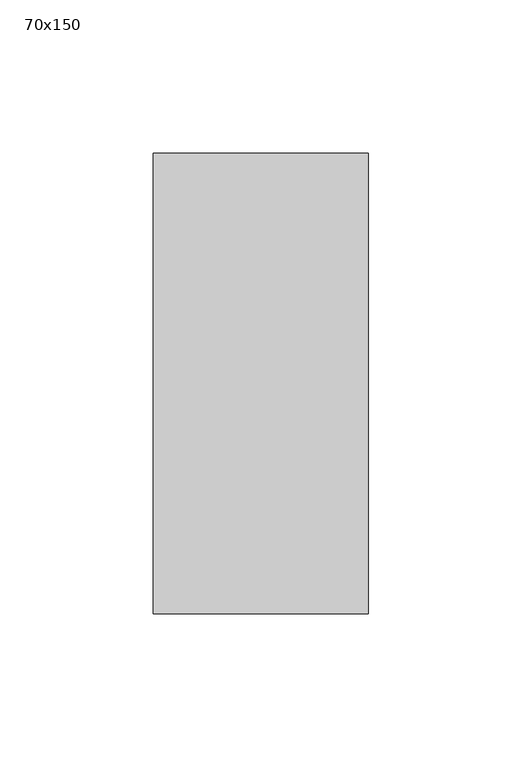
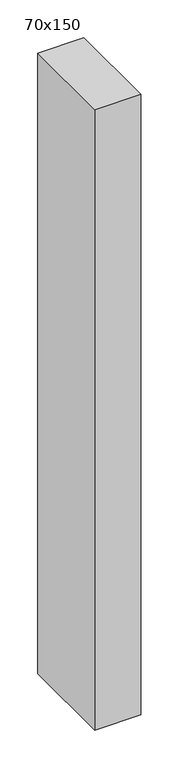
"""IFC4 building model written with IfcOpenShell, lengths in millimetres: member geometry, 70x150."""

import ifcopenshell
import ifcopenshell.guid

model = None  # the IFC model being written
_history = None  # IfcOwnerHistory: only IFC2X3 demands one
_inside = {}  # id of a spatial element -> (the spatial element, [elements in it])
_under = {}  # id of a project, library or spatial element -> (it, [spatial elements below it])
_declared = {}  # id of a project -> (the project, [libraries it declares])
_typed = {}  # id of a type object -> (the type object, [elements of that type])
_made_of = {}  # id of a material, layer set ... -> (it, [elements and type objects made of it])


def new_model(schema):
    """Start an empty IFC model of exactly this schema.

    Asked for "IFC4X3", IfcOpenShell would pick the latest addendum, in which some entities
    have other attributes; the version numbers below select the first issue.
    IFC2X3 requires an IfcOwnerHistory on every rooted entity: one is made here for all.
    """
    global model, _history
    if schema == "IFC4X3":
        model = ifcopenshell.file(schema_version=(4, 3, 0, 0))
    else:
        model = ifcopenshell.file(schema=schema)
    _inside.clear()
    _under.clear()
    _declared.clear()
    _typed.clear()
    _made_of.clear()
    _history = None
    if model.schema == "IFC2X3":
        org = make("IfcOrganization", Name="unknown")
        user = make(
            "IfcPersonAndOrganization",
            ThePerson=make("IfcPerson", FamilyName="unknown"),
            TheOrganization=org,
        )
        app = make(
            "IfcApplication",
            ApplicationDeveloper=org,
            Version="unknown",
            ApplicationFullName="unknown",
            ApplicationIdentifier="unknown",
        )
        _history = make(
            "IfcOwnerHistory",
            OwningUser=user,
            OwningApplication=app,
            ChangeAction="ADDED",
            CreationDate=0,
        )
    return model


def make(cls, **values):
    """One entity of the class cls with the attributes given. An attribute that is None is left unset."""
    return model.create_entity(
        cls, **{name: value for name, value in values.items() if value is not None}
    )


def rooted(cls, **values):
    """An entity with a GlobalId (a new one), such as an element, a storey or a relation."""
    return make(cls, GlobalId=ifcopenshell.guid.new(), OwnerHistory=_history, **values)


def si_unit(unit_type, name, prefix=None):
    """IfcSIUnit, for example si_unit("LENGTHUNIT", "METRE", prefix="MILLI")."""
    return make("IfcSIUnit", UnitType=unit_type, Prefix=prefix, Name=name)


def assignment(units):
    """IfcUnitAssignment: the units of a project."""
    return None if units is None else make("IfcUnitAssignment", Units=units)


def point(xyz):
    """IfcCartesianPoint."""
    return None if xyz is None else make("IfcCartesianPoint", Coordinates=xyz)


def direction(xyz):
    """IfcDirection."""
    return None if xyz is None else make("IfcDirection", DirectionRatios=xyz)


def frame(location, z_axis=None, x_axis=None):
    """IfcAxis2Placement3D, a coordinate frame: its origin and axes. An axis left out is left unset."""
    return make(
        "IfcAxis2Placement3D",
        Location=point(location),
        Axis=direction(z_axis),
        RefDirection=direction(x_axis),
    )


def origin():
    """The frame at (0, 0, 0) with its axes left unset."""
    return frame((0.0, 0.0, 0.0))


def place(relative_to, where):
    """IfcLocalPlacement: puts the frame where relative to a parent placement (None: the world)."""
    return make(
        "IfcLocalPlacement", PlacementRelTo=relative_to, RelativePlacement=where
    )


def context(
    kind, dimensions, precision=None, world=None, true_north=None, identifier=None
):
    """IfcGeometricRepresentationContext, for example the 3D "Model" context."""
    return make(
        "IfcGeometricRepresentationContext",
        ContextIdentifier=identifier,
        ContextType=kind,
        CoordinateSpaceDimension=dimensions,
        Precision=precision,
        WorldCoordinateSystem=world,
        TrueNorth=true_north,
    )


def project(units=None, contexts=None):
    """IfcProject with its units and contexts."""
    return rooted(
        "IfcProject",
        Name="project",
        RepresentationContexts=contexts,
        UnitsInContext=assignment(units),
    )


def spatial(cls, under=None, at=None, **own):
    """A site, building, storey or space (cls), placed at a placement, below another one or the project."""
    s = rooted(cls, ObjectPlacement=at, **own)
    if under is not None:
        _under.setdefault(under.id(), (under, []))[1].append(s)
    return s


def polyline(points):
    """IfcPolyline through the points."""
    return make("IfcPolyline", Points=[point(p) for p in points])


def outline(outer, holes=None, kind="AREA"):
    """IfcArbitraryClosedProfileDef: a profile drawn as a closed curve; with holes, ...WithVoids."""
    if holes is None:
        return make("IfcArbitraryClosedProfileDef", ProfileType=kind, OuterCurve=outer)
    return make(
        "IfcArbitraryProfileDefWithVoids",
        ProfileType=kind,
        OuterCurve=outer,
        InnerCurves=holes,
    )


def extrude(swept, where, along, depth):
    """IfcExtrudedAreaSolid: the profile swept, set in the frame where, extruded along a direction by depth."""
    return make(
        "IfcExtrudedAreaSolid",
        SweptArea=swept,
        Position=where,
        ExtrudedDirection=direction(along),
        Depth=depth,
    )


def shape(context_of_items, identifier, shape_type, items):
    """IfcShapeRepresentation: the items that make up one representation, for example the "Body"."""
    return make(
        "IfcShapeRepresentation",
        ContextOfItems=context_of_items,
        RepresentationIdentifier=identifier,
        RepresentationType=shape_type,
        Items=items,
    )


def source(mapping_origin, context_of_items, identifier, shape_type, items):
    """IfcRepresentationMap: a shape defined once, which mapped items show again and again."""
    return make(
        "IfcRepresentationMap",
        MappingOrigin=mapping_origin,
        MappedRepresentation=shape(context_of_items, identifier, shape_type, items),
    )


def transform(
    local_origin,
    x_axis=None,
    y_axis=None,
    z_axis=None,
    scale=None,
    scale2=None,
    scale3=None,
    uniform=True,
):
    """IfcCartesianTransformationOperator3D, or its non-uniform kind. x_axis, y_axis, z_axis: its Axis1, 2, 3."""
    if uniform:
        return make(
            "IfcCartesianTransformationOperator3D",
            Axis1=direction(x_axis),
            Axis2=direction(y_axis),
            LocalOrigin=point(local_origin),
            Scale=scale,
            Axis3=direction(z_axis),
        )
    return make(
        "IfcCartesianTransformationOperator3DnonUniform",
        Axis1=direction(x_axis),
        Axis2=direction(y_axis),
        LocalOrigin=point(local_origin),
        Scale=scale,
        Axis3=direction(z_axis),
        Scale2=scale2,
        Scale3=scale3,
    )


def mapped(mapping_source, mapping_target):
    """IfcMappedItem: shows the shape of a source again, moved by a transform."""
    return make(
        "IfcMappedItem", MappingSource=mapping_source, MappingTarget=mapping_target
    )


def made_of(thing, what):
    """Note that an element or type object is made of a material, layer set ...; save() writes the relation."""
    if what is not None:
        _made_of.setdefault(what.id(), (what, []))[1].append(thing)
    return thing


def element(
    cls,
    number,
    at=None,
    inside=None,
    cuts=None,
    type_object=None,
    material=None,
    context=None,
    identifier="Body",
    shape_type=None,
    held_by="IfcProductDefinitionShape",
    body=None,
    shapes=None,
    **own,
):
    """One element of the class cls, such as IfcWall. Its Tag is "e" and its number.

    at: its placement. inside: the storey or other place that contains it. cuts: it is an
    opening in that element (IfcRelVoidsElement). A single representation is given by context,
    identifier, shape_type and body (its items); several are given by shapes. held_by: the class
    of the entity that holds the representations. save() writes the other relations.
    """
    e = rooted(cls, Tag="e%d" % number, ObjectPlacement=at, **own)
    if body is not None:
        shapes = [shape(context, identifier, shape_type, body)]
    if shapes is not None:
        e.Representation = make(held_by, Representations=shapes)
    if inside is not None:
        _inside.setdefault(inside.id(), (inside, []))[1].append(e)
    if cuts is not None:
        rooted(
            "IfcRelVoidsElement", RelatingBuildingElement=cuts, RelatedOpeningElement=e
        )
    if type_object is not None:
        _typed.setdefault(type_object.id(), (type_object, []))[1].append(e)
    return made_of(e, material)


def aggregate(whole, parts):
    """IfcRelAggregates: a whole, such as a stair, and the parts it consists of."""
    return rooted("IfcRelAggregates", RelatingObject=whole, RelatedObjects=parts)


def save(model, path):
    """Write the relations noted so far, then the file.

    IfcRelAggregates (storeys below a building ...), IfcRelContainedInSpatialStructure (elements
    in a storey), IfcRelDefinesByType, IfcRelAssociatesMaterial and IfcRelDeclares: one each for
    every whole, place, type object, material and project.
    """
    for whole, parts in _under.values():
        aggregate(whole, parts)
    for where, things in _inside.values():
        rooted(
            "IfcRelContainedInSpatialStructure",
            RelatedElements=things,
            RelatingStructure=where,
        )
    for kind, things in _typed.values():
        rooted("IfcRelDefinesByType", RelatedObjects=things, RelatingType=kind)
    for what, things in _made_of.values():
        rooted("IfcRelAssociatesMaterial", RelatedObjects=things, RelatingMaterial=what)
    for by, libraries in _declared.values():
        rooted("IfcRelDeclares", RelatingContext=by, RelatedDefinitions=libraries)
    model.write(path)


def member_70x150_76429c73(model_context):
    return source(origin(), model_context, "Body", "SweptSolid", [
        extrude(outline(polyline([(0.0, 75.0), (0.0, -75.0), (-70.0, -75.0), (-70.0, 75.0), (0.0, 75.0)])), frame((0.0, 0.0, -1000.0), z_axis=(0.0, 0.0, 1.0), x_axis=(1.0, 0.0, 0.0)), (0.0, 0.0, 1.0), 1000.0),
    ])


if __name__ == "__main__":
    model = new_model("IFC4")
    model_context = context("Model", 3, world=origin())
    ifc_project = project(units=[si_unit("LENGTHUNIT", "METRE", prefix="MILLI")], contexts=[model_context])
    site = spatial("IfcSite", under=ifc_project)
    building = spatial("IfcBuilding", under=site)
    placement = place(None, origin())
    member_70x150_shape = member_70x150_76429c73(model_context)
    element("IfcMember", 1, ObjectType="70x150", at=placement, inside=building, context=model_context, shape_type="MappedRepresentation", body=[
        mapped(member_70x150_shape, transform((0.0, 0.0, 0.0), x_axis=(1.0, 0.0, 0.0), y_axis=(0.0, 1.0, 0.0), z_axis=(0.0, 0.0, 1.0))),
    ])
    save(model, "model.ifc")
